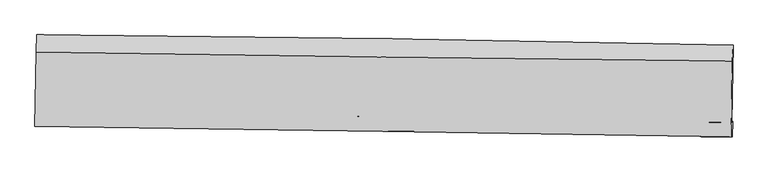
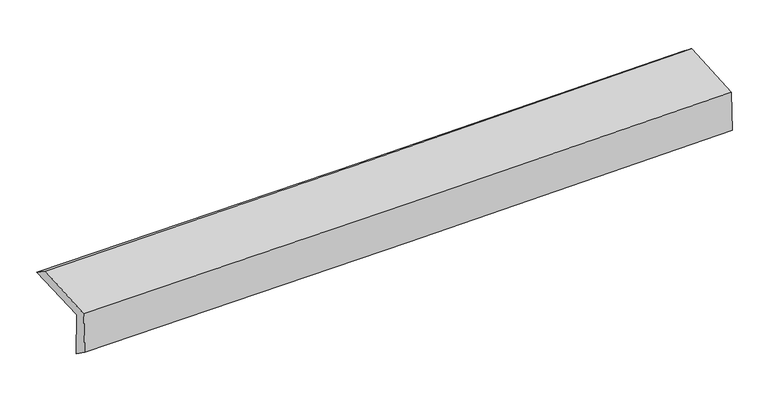
"""IFC4 building model written with IfcOpenShell, lengths in millimetres: proxy geometry."""

from ifc_helpers import new_model, si_unit, frame, origin, place, context, project, spatial, source, transform, mapped, element, save
from ifc_brep_helpers import plane_surface, spline_curve, spline_surface, advanced_brep


def generic_models_6d2c1157(model_context):
    return source(origin(), model_context, "Body", "AdvancedBrep", [
        advanced_brep(
        [(-3025.4523457, -1768.0689762, 1977.8081613), (-3012.0323654, -1097.5834457, 1987.8442736), (3013.6521704, -1186.3044265, 2132.7943285), (3000.3279948, -1857.1175048, 2118.3434885), (-3015.6982444, -1749.3904548, 1573.9751616), (3009.6671512, -1850.2020081, 1722.0676752), (-3020.9909238, -1891.7113578, 1677.1389013), (3004.4494794, -1984.6544392, 1828.902638), (-3029.8853835, -1890.4991206, 2061.3867094), (2995.6772412, -1983.2536697, 2208.0503812), (-3017.4723153, -1246.0939026, 2091.9228087), (3008.460171, -1324.9484223, 2234.8462283)],
        [
            (0, 1),
            (1, 2, spline_curve(3, [(-3012.0323654, -1097.5834457, 1987.8442736), (-2007.350739501, -1106.288662051, 1999.953255355), (-1002.868221476, -1118.034712675, 2018.086965665), (1005.6932885, -1147.608405124, 2066.403714172), (2009.77228224, -1165.436014538, 2096.58668909), (3013.6521704, -1186.3044265, 2132.7943285)], [4, 2, 4], [0.0, 9.888757575050159, 19.77746285317976])),
            (2, 3),
            (3, 0, spline_curve(3, [(3000.3279948, -1857.1175048, 2118.3434885), (1996.304491984, -1836.545380533, 2088.063018721), (992.145707222, -1818.838619692, 2061.211528401), (-1016.447738082, -1789.155746419, 2014.366383328), (-2020.882400133, -1777.179664574, 1994.372764396), (-3025.4523457, -1768.0689762, 1977.8081613)], [4, 2, 4], [0.0, 9.888705278129601, 19.77746285317976])),
            (4, 0),
            (3, 5),
            (5, 4, spline_curve(3, [(3009.6671512, -1850.2020081, 1722.0676752), (2005.681731261, -1829.48718137, 1690.27174337), (1001.576566247, -1810.728821888, 1662.032757898), (-1006.878564341, -1777.124950254, 1612.668549369), (-2011.228531165, -1762.279458243, 1591.543363429), (-3015.6982444, -1749.3904548, 1573.9751616)], [4, 2, 4], [0.0, 9.888608762305344, 19.777269821020816])),
            (6, 4),
            (5, 7),
            (7, 6, spline_curve(3, [(3004.4494794, -1984.6544392, 1828.902638), (2000.348031813, -1967.931990415, 1798.602988412), (996.178602587, -1951.825527872, 1770.806212565), (-1012.301531148, -1920.844494406, 1720.218273667), (-2016.612236274, -1905.969929703, 1697.427137437), (-3020.9909238, -1891.7113578, 1677.1389013)], [4, 2, 4], [0.0, 9.888564033375468, 19.77718036292451])),
            (8, 6),
            (7, 9),
            (9, 8, spline_curve(3, [(2995.6772412, -1983.2536697, 2208.0503812), (1991.514682958, -1966.625486836, 2180.300761946), (987.304513109, -1950.581868671, 2154.204007361), (-1021.216361377, -1919.663679573, 2105.316099567), (-2025.527066423, -1904.789114718, 2082.524963317), (-3029.8853835, -1890.4991206, 2061.3867094)], [4, 2, 4], [0.0, 9.88855273089775, 19.7771577579093])),
            (10, 8),
            (9, 11),
            (11, 10, spline_curve(3, [(3008.460171, -1324.9484223, 2234.8462283), (2004.112682069, -1315.27024827, 2208.966733557), (999.779225026, -1303.859972806, 2184.116729828), (-1008.864937221, -1277.57515149, 2136.475578996), (-2013.175642133, -1262.700586665, 2113.684442693), (-3017.4723153, -1246.0939026, 2091.9228087)], [4, 2, 4], [0.0, 9.888595766754191, 19.77724382984978])),
            (1, 10),
            (11, 2),
        ],
        [
            spline_surface(3, 3, [[(-3025.4523457, -1768.0689762, 1977.8081613), (-2020.882400122, -1777.179664441, 1994.372764331), (-1016.447738123, -1789.15574646, 2014.366383199), (992.145707263, -1818.838619651, 2061.21152853), (1996.30449213, -1836.545380465, 2088.063018737), (3000.3279948, -1857.1175048, 2118.3434885)], [(-3020.979018924, -1544.573799368, 1981.153532064), (-2016.371846604, -1553.54933026, 1996.232928054), (-1011.921232539, -1565.448735183, 2015.606577338), (996.661567656, -1595.095214784, 2062.942257125), (2000.79375549, -1612.842258487, 2090.904242218), (3004.769386677, -1633.513145346, 2123.160435174)], [(-3016.505692176, -1321.078622532, 1984.498902836), (-2011.861293114, -1329.918996074, 1998.093091785), (-1007.394726978, -1341.741723965, 2016.846771431), (1001.177428025, -1371.351809978, 2064.672985672), (2005.28301882, -1389.139136573, 2093.745465678), (3009.210778523, -1409.908785954, 2127.977381826)], [(-3012.0323654, -1097.5834457, 1987.8442736), (-2007.350739596, -1106.288661893, 1999.953255507), (-1002.868221394, -1118.034712688, 2018.086965571), (1005.693288418, -1147.608405112, 2066.403714267), (2009.77228218, -1165.436014595, 2096.586689158), (3013.6521704, -1186.3044265, 2132.7943285)]], [4, 4], [4, 2, 4], [0.0, 2.202517885995967], [0.0, 9.888757575050159, 19.77746285317976]),
            spline_surface(3, 3, [[(-3015.6982444, -1749.3904548, 1573.9751616), (-2011.228531254, -1762.279458292, 1591.543363406), (-1006.878564358, -1777.124950184, 1612.668549232), (1001.576566264, -1810.728821959, 1662.032758036), (2005.68173119, -1829.487181205, 1690.271743446), (3009.6671512, -1850.2020081, 1722.0676752)], [(-3018.949611481, -1755.616628593, 1708.586161492), (-2014.446487525, -1767.246193668, 1725.819830373), (-1010.068288963, -1781.135215606, 1746.567827226), (998.432946581, -1813.432087852, 1795.092348205), (2002.555984817, -1831.83991432, 1822.868835216), (3006.554099047, -1852.507173696, 1854.159612973)], [(-3022.200978619, -1761.842802407, 1843.197161408), (-2017.664443851, -1772.212929065, 1860.096297364), (-1013.258013519, -1785.145481038, 1880.467105205), (995.289326946, -1816.135353757, 1928.151938361), (1999.430238503, -1834.192647349, 1955.465926967), (3003.441046953, -1854.812339204, 1986.251550727)], [(-3025.4523457, -1768.0689762, 1977.8081613), (-2020.882400122, -1777.179664441, 1994.372764331), (-1016.447738123, -1789.15574646, 2014.366383199), (992.145707263, -1818.838619651, 2061.21152853), (1996.30449213, -1836.545380465, 2088.063018737), (3000.3279948, -1857.1175048, 2118.3434885)]], [4, 4], [4, 2, 4], [0.0, 1.3145588975221456], [0.0, 9.888661058715472, 19.777269821020816]),
            spline_surface(3, 3, [[(-3020.9909238, -1891.7113578, 1677.1389013), (-2016.612236175, -1905.96992956, 1697.427137516), (-1012.301531123, -1920.844494311, 1720.218273758), (996.178602563, -1951.825527967, 1770.806212474), (2000.3480319, -1967.931990334, 1798.602988447), (3004.4494794, -1984.6544392, 1828.902638)], [(-3019.226697356, -1844.271056797, 1642.750988092), (-2014.817667891, -1858.073105801, 1662.132546171), (-1010.493875513, -1872.937979595, 1684.368365582), (997.977923818, -1904.793292625, 1734.548394327), (2002.125931658, -1921.783720595, 1762.492573444), (3006.188703327, -1939.836962138, 1793.29098373)], [(-3017.462470844, -1796.830755803, 1608.363074808), (-2013.023099538, -1810.176282051, 1626.837954751), (-1008.686219969, -1825.031464899, 1648.518457408), (999.777245008, -1857.761057301, 1698.290576183), (2003.903831433, -1875.635450944, 1726.382158449), (3007.927927273, -1895.019485162, 1757.67932947)], [(-3015.6982444, -1749.3904548, 1573.9751616), (-2011.228531254, -1762.279458292, 1591.543363406), (-1006.878564358, -1777.124950184, 1612.668549232), (1001.576566264, -1810.728821959, 1662.032758036), (2005.68173119, -1829.487181205, 1690.271743446), (3009.6671512, -1850.2020081, 1722.0676752)]], [4, 4], [4, 2, 4], [0.0, 0.5869703879700958], [0.0, 9.888616329549043, 19.77718036292451]),
            spline_surface(3, 3, [[(-3029.8853835, -1890.4991206, 2061.3867094), (-2025.527066293, -1904.789114664, 2082.524963181), (-1021.216361341, -1919.663679515, 2105.316099422), (987.304513073, -1950.581868729, 2154.204007505), (1991.514682986, -1966.625486916, 2180.300761863), (2995.6772412, -1983.2536697, 2208.0503812)], [(-3026.920563575, -1890.903199662, 1933.304106693), (-2022.555456228, -1905.182719625, 1954.159021286), (-1018.244751276, -1920.057284476, 1976.950157528), (990.262542895, -1950.996421837, 2026.404742488), (1994.459132638, -1967.060988061, 2053.068170727), (2998.601320613, -1983.720592872, 2081.667800136)], [(-3023.955743725, -1891.307278738, 1805.221504007), (-2019.58384624, -1905.576324599, 1825.793079411), (-1015.273141188, -1920.45088935, 1848.584215653), (993.220572741, -1951.410974859, 1898.605477491), (1997.403582249, -1967.496489189, 1925.835579583), (3001.525399987, -1984.187516028, 1955.285219064)], [(-3020.9909238, -1891.7113578, 1677.1389013), (-2016.612236175, -1905.96992956, 1697.427137516), (-1012.301531123, -1920.844494311, 1720.218273758), (996.178602563, -1951.825527967, 1770.806212474), (2000.3480319, -1967.931990334, 1798.602988447), (3004.4494794, -1984.6544392, 1828.902638)]], [4, 4], [4, 2, 4], [0.0, 1.2609995275109434], [0.0, 9.88860502701155, 19.7771577579093]),
            spline_surface(3, 3, [[(-3017.4723153, -1246.0939026, 2091.9228087), (-2013.175642181, -1262.700586615, 2113.684442796), (-1008.864937228, -1277.575151366, 2136.475579038), (999.779225034, -1303.859972929, 2184.116729786), (2004.112682154, -1315.270248111, 2208.966733426), (3008.460171, -1324.9484223, 2234.8462283)], [(-3021.610004716, -1460.895641939, 2081.74410894), (-2017.292783568, -1476.730095971, 2103.297949597), (-1012.982078614, -1491.604660722, 2126.089085839), (995.620987698, -1519.433938169, 2174.145822365), (1999.913349086, -1532.388661065, 2199.411409585), (3004.199194388, -1544.383504786, 2225.91427928)], [(-3025.747694084, -1675.697381261, 2071.56540916), (-2021.409924907, -1690.759605308, 2092.91145638), (-1017.099219955, -1705.63417016, 2115.702592621), (991.462750408, -1735.00790349, 2164.174914926), (1995.714016054, -1749.507073961, 2189.856085704), (2999.938217812, -1763.818587214, 2216.98233022)], [(-3029.8853835, -1890.4991206, 2061.3867094), (-2025.527066293, -1904.789114664, 2082.524963181), (-1021.216361341, -1919.663679515, 2105.316099422), (987.304513073, -1950.581868729, 2154.204007505), (1991.514682986, -1966.625486916, 2180.300761863), (2995.6772412, -1983.2536697, 2208.0503812)]], [4, 4], [4, 2, 4], [0.0, 2.116954408732404], [0.0, 9.888648063095589, 19.77724382984978]),
            spline_surface(3, 3, [[(-3012.0323654, -1097.5834457, 1987.8442736), (-2007.350739596, -1106.288661893, 1999.953255507), (-1002.868221394, -1118.034712688, 2018.086965571), (1005.693288418, -1147.608405112, 2066.403714267), (2009.77228218, -1165.436014595, 2096.586689158), (3013.6521704, -1186.3044265, 2132.7943285)], [(-3013.845682048, -1147.08693134, 2022.53711862), (-2009.292373806, -1158.42597014, 2037.863651257), (-1004.867126662, -1171.214858942, 2057.549836707), (1003.721933966, -1199.692261079, 2105.641386088), (2007.885748852, -1215.380759096, 2134.046703887), (3011.921503948, -1232.519091763, 2166.811628407)], [(-3015.658998652, -1196.59041696, 2057.22996368), (-2011.234007971, -1210.563278368, 2075.774047046), (-1006.86603196, -1224.395005112, 2097.012707901), (1001.750579485, -1251.776116962, 2144.879057965), (2005.999215481, -1265.325503609, 2171.506718697), (3010.190837452, -1278.733757037, 2200.828928393)], [(-3017.4723153, -1246.0939026, 2091.9228087), (-2013.175642181, -1262.700586615, 2113.684442796), (-1008.864937228, -1277.575151366, 2136.475579038), (999.779225034, -1303.859972929, 2184.116729786), (2004.112682154, -1315.270248111, 2208.966733426), (3008.460171, -1324.9484223, 2234.8462283)]], [4, 4], [4, 2, 4], [0.0, 0.647104501496087], [0.0, 9.888720318346092, 19.77738833996866]),
            plane_surface(frame((3005.372368, -1697.7467451, 2040.8341233), z_axis=(0.9995236220409669, -0.02035306292870777, 0.023200901092984658), x_axis=(0.023130380161448413, -0.003693507920805257, -0.9997256341180943))),
            plane_surface(frame((-3020.255263, -1607.224543, 1895.0126693), z_axis=(-0.9995236220409899, 0.020353062927444442, -0.02320090109310677), x_axis=(-0.02000906831506028, -0.9996878129263855, -0.014963751923347571))),
        ],
        [
            (0, [[1, 2, 3, 4]]),
            (1, [[5, -4, 6, 7]]),
            (2, [[8, -7, 9, 10]]),
            (3, [[11, -10, 12, 13]]),
            (4, [[14, -13, 15, 16]]),
            (5, [[17, -16, 18, -2]]),
            (6, [[-12, -9, -6, -3, -18, -15]]),
            (7, [[-1, -5, -8, -11, -14, -17]]),
        ],
    ),
    ])


if __name__ == "__main__":
    model = new_model("IFC4")
    model_context = context("Model", 3, world=origin())
    ifc_project = project(units=[si_unit("LENGTHUNIT", "METRE", prefix="MILLI")], contexts=[model_context])
    site = spatial("IfcSite", under=ifc_project)
    building = spatial("IfcBuilding", under=site)
    placement = place(None, origin())
    generic_models_shape = generic_models_6d2c1157(model_context)
    element("IfcBuildingElementProxy", 1, Name="Generic Models", at=placement, inside=building, context=model_context, shape_type="MappedRepresentation", body=[
        mapped(generic_models_shape, transform((0.0, 0.0, 0.0), x_axis=(1.0, 0.0, 0.0), y_axis=(0.0, 1.0, 0.0), z_axis=(0.0, 0.0, 1.0))),
    ])
    save(model, "model.ifc")
